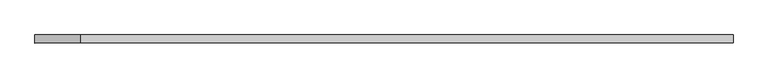
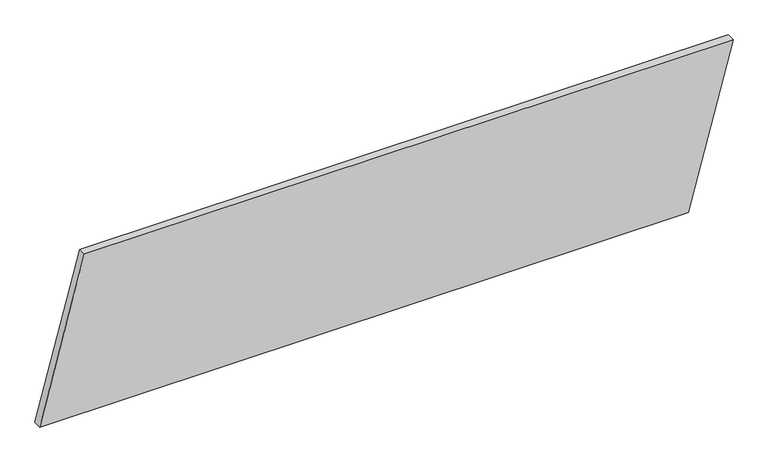
"""IFC4 building model written with IfcOpenShell, lengths in millimetres: plate geometry."""

from ifc_helpers import new_model, si_unit, frame, origin, place, context, project, spatial, polyline, outline, extrude, source, transform, mapped, element, save


def plate_c7e9a679(model_context):
    return source(origin(), model_context, "Body", "SweptSolid", [
        extrude(outline(polyline([(0.0, -1079.19354), (0.0, 939.5950118), (520.9887997, 1079.19354), (520.9887997, -939.5950118), (0.0, -1079.19354)])), frame((0.0, 24.5, 0.0), z_axis=(0.0, 1.0, 0.0), x_axis=(0.0, 0.0, 1.0)), (0.0, 0.0, 1.0), 25.0),
    ])


if __name__ == "__main__":
    model = new_model("IFC4")
    model_context = context("Model", 3, world=origin())
    ifc_project = project(units=[si_unit("LENGTHUNIT", "METRE", prefix="MILLI")], contexts=[model_context])
    site = spatial("IfcSite", under=ifc_project)
    building = spatial("IfcBuilding", under=site)
    placement = place(None, origin())
    plate_shape = plate_c7e9a679(model_context)
    element("IfcPlate", 1, at=placement, inside=building, context=model_context, shape_type="MappedRepresentation", body=[
        mapped(plate_shape, transform((0.0, 0.0, 0.0), x_axis=(1.0, 0.0, 0.0), y_axis=(0.0, 1.0, 0.0), z_axis=(0.0, 0.0, 1.0))),
    ])
    save(model, "model.ifc")
